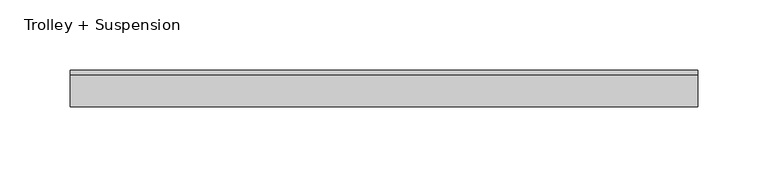
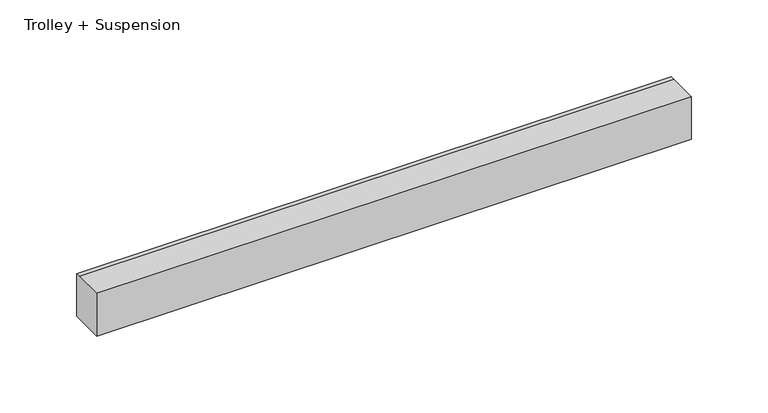
"""IFC4 building model written with IfcOpenShell, lengths in millimetres: proxy geometry, Trolley + Suspension."""

from ifc_helpers import new_model, si_unit, frame, origin, place, context, project, spatial, polyline, outline, extrude, source, transform, mapped, element, save


def trolley_suspension_f4e819c7(model_context):
    return source(origin(), model_context, "Body", "SweptSolid", [
        extrude(outline(polyline([(-13.0, 34.0), (9.692747, 34.0), (13.0, 34.0), (13.0, 0.0), (-13.0, 0.0), (-13.0, 34.0)])), frame((-223.8181818, 0.0, 0.0), z_axis=(1.0, 0.0, 0.0), x_axis=(0.0, 1.0, 0.0)), (0.0, 0.0, 1.0), 447.6363636),
    ])


if __name__ == "__main__":
    model = new_model("IFC4")
    model_context = context("Model", 3, world=origin())
    ifc_project = project(units=[si_unit("LENGTHUNIT", "METRE", prefix="MILLI")], contexts=[model_context])
    site = spatial("IfcSite", under=ifc_project)
    building = spatial("IfcBuilding", under=site)
    placement = place(None, origin())
    trolley_suspension_shape = trolley_suspension_f4e819c7(model_context)
    element("IfcBuildingElementProxy", 1, Name="Trolley + Suspension", ObjectType="Trolley + Suspension", at=placement, inside=building, context=model_context, shape_type="MappedRepresentation", body=[
        mapped(trolley_suspension_shape, transform((0.0, 0.0, 0.0), x_axis=(1.0, 0.0, 0.0), y_axis=(0.0, 1.0, 0.0), z_axis=(0.0, 0.0, 1.0))),
    ])
    save(model, "model.ifc")
